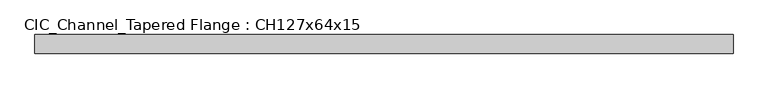
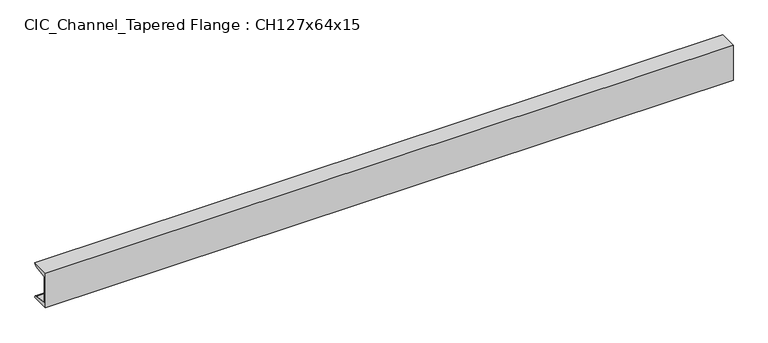
"""IFC4 building model written with IfcOpenShell, lengths in millimetres: beam geometry, CIC_Channel_Tapered Flange : CH127x64x15."""

from ifc_helpers import new_model, si_unit, point, frame, frame_2d, origin, place, context, project, spatial, polyline, circle_curve, trimmed, segment, composite_curve, outline, extrude, source, transform, mapped, element, save


def cic_channel_tapered_flange_ch127x64x15_823be6f5(model_context):
    return source(origin(), model_context, "Body", "SweptSolid", [
        extrude(outline(composite_curve([segment(polyline([(-19.4, 63.5), (44.1, 63.5)]), True, "CONTINUOUS"), segment(trimmed(circle_curve(frame_2d((34.9, 63.5)), 9.2), [point((44.1, 63.5))], [point((34.9, 54.3))], False, "CARTESIAN"), True, "CONTINUOUS"), segment(polyline([(34.9, 54.3), (-13.0, 46.7133853), (-13.0, -46.7133853), (34.9, -54.3)]), True, "CONTINUOUS"), segment(trimmed(circle_curve(frame_2d((34.9, -63.5)), 9.2), [point((34.9, -54.3))], [point((44.1, -63.5))], False, "CARTESIAN"), True, "CONTINUOUS"), segment(polyline([(44.1, -63.5), (-19.4, -63.5), (-19.4, 63.5)]), True, "CONTINUOUS")], self_intersect=False)), frame((-1190.15, 0.0, 0.0), z_axis=(1.0, 0.0, 0.0), x_axis=(0.0, 1.0, 0.0)), (0.0, 0.0, 1.0), 2380.3),
    ])


if __name__ == "__main__":
    model = new_model("IFC4")
    model_context = context("Model", 3, world=origin())
    ifc_project = project(units=[si_unit("LENGTHUNIT", "METRE", prefix="MILLI")], contexts=[model_context])
    site = spatial("IfcSite", under=ifc_project)
    building = spatial("IfcBuilding", under=site)
    placement = place(None, origin())
    cic_channel_tapered_flange_ch127x64x15_shape = cic_channel_tapered_flange_ch127x64x15_823be6f5(model_context)
    element("IfcBeam", 1, ObjectType="CIC_Channel_Tapered Flange : CH127x64x15", at=placement, inside=building, context=model_context, shape_type="MappedRepresentation", body=[
        mapped(cic_channel_tapered_flange_ch127x64x15_shape, transform((0.0, 0.0, 0.0), x_axis=(1.0, 0.0, 0.0), y_axis=(0.0, 1.0, 0.0), z_axis=(0.0, 0.0, 1.0))),
    ])
    save(model, "model.ifc")
